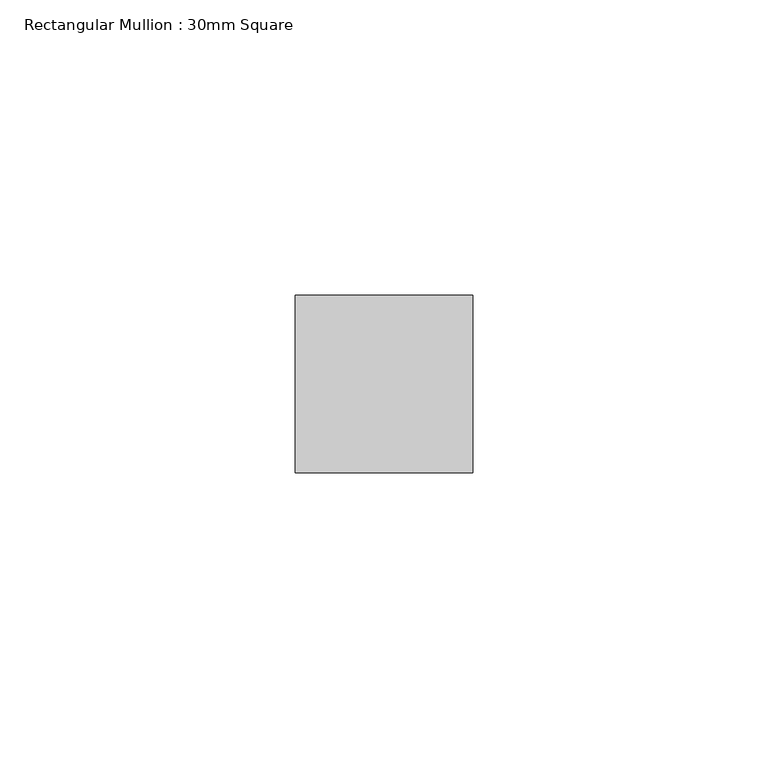
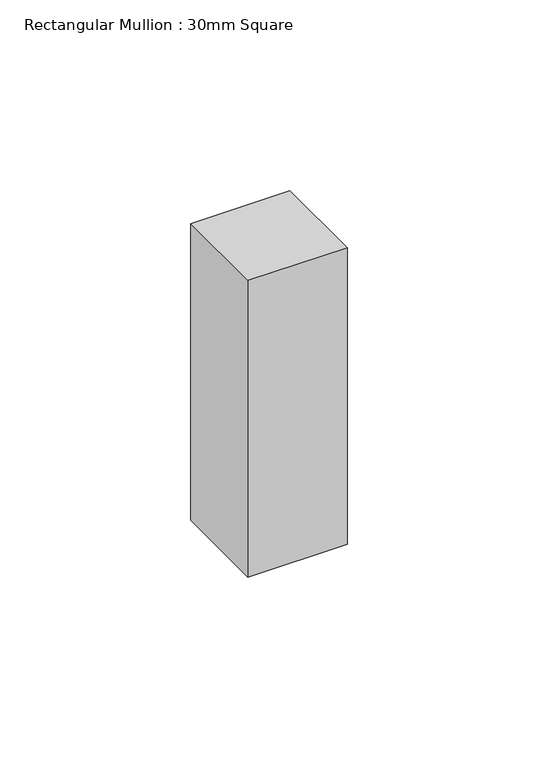
"""IFC4 building model written with IfcOpenShell, lengths in millimetres: member geometry, Rectangular Mullion : 30mm Square."""

from ifc_helpers import new_model, si_unit, frame, origin, place, context, project, spatial, polyline, outline, extrude, source, transform, mapped, element, save


def rectangular_mullion_30mm_square_b360a5ec(model_context):
    return source(origin(), model_context, "Body", "SweptSolid", [
        extrude(outline(polyline([(0.0, 15.0), (0.0, -15.0), (-30.0, -15.0), (-30.0, 15.0), (0.0, 15.0)])), frame((0.0, 0.0, -95.0), z_axis=(0.0, 0.0, 1.0), x_axis=(1.0, 0.0, 0.0)), (0.0, 0.0, 1.0), 95.0),
    ])


if __name__ == "__main__":
    model = new_model("IFC4")
    model_context = context("Model", 3, world=origin())
    ifc_project = project(units=[si_unit("LENGTHUNIT", "METRE", prefix="MILLI")], contexts=[model_context])
    site = spatial("IfcSite", under=ifc_project)
    building = spatial("IfcBuilding", under=site)
    placement = place(None, origin())
    rectangular_mullion_30mm_square_shape = rectangular_mullion_30mm_square_b360a5ec(model_context)
    element("IfcMember", 1, ObjectType="Rectangular Mullion : 30mm Square", at=placement, inside=building, context=model_context, shape_type="MappedRepresentation", body=[
        mapped(rectangular_mullion_30mm_square_shape, transform((0.0, 0.0, 0.0), x_axis=(1.0, 0.0, 0.0), y_axis=(0.0, 1.0, 0.0), z_axis=(0.0, 0.0, 1.0))),
    ])
    save(model, "model.ifc")
